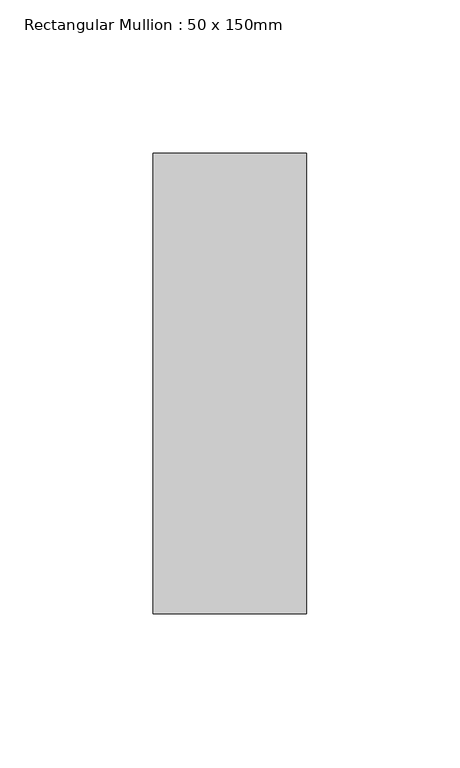
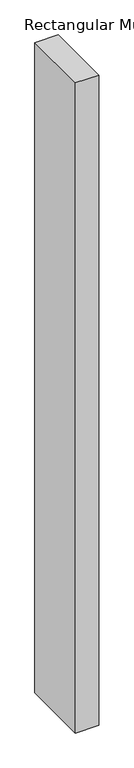
"""IFC4 building model written with IfcOpenShell, lengths in millimetres: member geometry, Rectangular Mullion : 50 x 150mm."""

import ifcopenshell
import ifcopenshell.guid

model = None  # the IFC model being written
_history = None  # IfcOwnerHistory: only IFC2X3 demands one
_inside = {}  # id of a spatial element -> (the spatial element, [elements in it])
_under = {}  # id of a project, library or spatial element -> (it, [spatial elements below it])
_declared = {}  # id of a project -> (the project, [libraries it declares])
_typed = {}  # id of a type object -> (the type object, [elements of that type])
_made_of = {}  # id of a material, layer set ... -> (it, [elements and type objects made of it])


def new_model(schema):
    """Start an empty IFC model of exactly this schema.

    Asked for "IFC4X3", IfcOpenShell would pick the latest addendum, in which some entities
    have other attributes; the version numbers below select the first issue.
    IFC2X3 requires an IfcOwnerHistory on every rooted entity: one is made here for all.
    """
    global model, _history
    if schema == "IFC4X3":
        model = ifcopenshell.file(schema_version=(4, 3, 0, 0))
    else:
        model = ifcopenshell.file(schema=schema)
    _inside.clear()
    _under.clear()
    _declared.clear()
    _typed.clear()
    _made_of.clear()
    _history = None
    if model.schema == "IFC2X3":
        org = make("IfcOrganization", Name="unknown")
        user = make(
            "IfcPersonAndOrganization",
            ThePerson=make("IfcPerson", FamilyName="unknown"),
            TheOrganization=org,
        )
        app = make(
            "IfcApplication",
            ApplicationDeveloper=org,
            Version="unknown",
            ApplicationFullName="unknown",
            ApplicationIdentifier="unknown",
        )
        _history = make(
            "IfcOwnerHistory",
            OwningUser=user,
            OwningApplication=app,
            ChangeAction="ADDED",
            CreationDate=0,
        )
    return model


def make(cls, **values):
    """One entity of the class cls with the attributes given. An attribute that is None is left unset."""
    return model.create_entity(
        cls, **{name: value for name, value in values.items() if value is not None}
    )


def rooted(cls, **values):
    """An entity with a GlobalId (a new one), such as an element, a storey or a relation."""
    return make(cls, GlobalId=ifcopenshell.guid.new(), OwnerHistory=_history, **values)


def si_unit(unit_type, name, prefix=None):
    """IfcSIUnit, for example si_unit("LENGTHUNIT", "METRE", prefix="MILLI")."""
    return make("IfcSIUnit", UnitType=unit_type, Prefix=prefix, Name=name)


def assignment(units):
    """IfcUnitAssignment: the units of a project."""
    return None if units is None else make("IfcUnitAssignment", Units=units)


def point(xyz):
    """IfcCartesianPoint."""
    return None if xyz is None else make("IfcCartesianPoint", Coordinates=xyz)


def direction(xyz):
    """IfcDirection."""
    return None if xyz is None else make("IfcDirection", DirectionRatios=xyz)


def frame(location, z_axis=None, x_axis=None):
    """IfcAxis2Placement3D, a coordinate frame: its origin and axes. An axis left out is left unset."""
    return make(
        "IfcAxis2Placement3D",
        Location=point(location),
        Axis=direction(z_axis),
        RefDirection=direction(x_axis),
    )


def origin():
    """The frame at (0, 0, 0) with its axes left unset."""
    return frame((0.0, 0.0, 0.0))


def place(relative_to, where):
    """IfcLocalPlacement: puts the frame where relative to a parent placement (None: the world)."""
    return make(
        "IfcLocalPlacement", PlacementRelTo=relative_to, RelativePlacement=where
    )


def context(
    kind, dimensions, precision=None, world=None, true_north=None, identifier=None
):
    """IfcGeometricRepresentationContext, for example the 3D "Model" context."""
    return make(
        "IfcGeometricRepresentationContext",
        ContextIdentifier=identifier,
        ContextType=kind,
        CoordinateSpaceDimension=dimensions,
        Precision=precision,
        WorldCoordinateSystem=world,
        TrueNorth=true_north,
    )


def project(units=None, contexts=None):
    """IfcProject with its units and contexts."""
    return rooted(
        "IfcProject",
        Name="project",
        RepresentationContexts=contexts,
        UnitsInContext=assignment(units),
    )


def spatial(cls, under=None, at=None, **own):
    """A site, building, storey or space (cls), placed at a placement, below another one or the project."""
    s = rooted(cls, ObjectPlacement=at, **own)
    if under is not None:
        _under.setdefault(under.id(), (under, []))[1].append(s)
    return s


def polyline(points):
    """IfcPolyline through the points."""
    return make("IfcPolyline", Points=[point(p) for p in points])


def outline(outer, holes=None, kind="AREA"):
    """IfcArbitraryClosedProfileDef: a profile drawn as a closed curve; with holes, ...WithVoids."""
    if holes is None:
        return make("IfcArbitraryClosedProfileDef", ProfileType=kind, OuterCurve=outer)
    return make(
        "IfcArbitraryProfileDefWithVoids",
        ProfileType=kind,
        OuterCurve=outer,
        InnerCurves=holes,
    )


def extrude(swept, where, along, depth):
    """IfcExtrudedAreaSolid: the profile swept, set in the frame where, extruded along a direction by depth."""
    return make(
        "IfcExtrudedAreaSolid",
        SweptArea=swept,
        Position=where,
        ExtrudedDirection=direction(along),
        Depth=depth,
    )


def shape(context_of_items, identifier, shape_type, items):
    """IfcShapeRepresentation: the items that make up one representation, for example the "Body"."""
    return make(
        "IfcShapeRepresentation",
        ContextOfItems=context_of_items,
        RepresentationIdentifier=identifier,
        RepresentationType=shape_type,
        Items=items,
    )


def source(mapping_origin, context_of_items, identifier, shape_type, items):
    """IfcRepresentationMap: a shape defined once, which mapped items show again and again."""
    return make(
        "IfcRepresentationMap",
        MappingOrigin=mapping_origin,
        MappedRepresentation=shape(context_of_items, identifier, shape_type, items),
    )


def transform(
    local_origin,
    x_axis=None,
    y_axis=None,
    z_axis=None,
    scale=None,
    scale2=None,
    scale3=None,
    uniform=True,
):
    """IfcCartesianTransformationOperator3D, or its non-uniform kind. x_axis, y_axis, z_axis: its Axis1, 2, 3."""
    if uniform:
        return make(
            "IfcCartesianTransformationOperator3D",
            Axis1=direction(x_axis),
            Axis2=direction(y_axis),
            LocalOrigin=point(local_origin),
            Scale=scale,
            Axis3=direction(z_axis),
        )
    return make(
        "IfcCartesianTransformationOperator3DnonUniform",
        Axis1=direction(x_axis),
        Axis2=direction(y_axis),
        LocalOrigin=point(local_origin),
        Scale=scale,
        Axis3=direction(z_axis),
        Scale2=scale2,
        Scale3=scale3,
    )


def mapped(mapping_source, mapping_target):
    """IfcMappedItem: shows the shape of a source again, moved by a transform."""
    return make(
        "IfcMappedItem", MappingSource=mapping_source, MappingTarget=mapping_target
    )


def made_of(thing, what):
    """Note that an element or type object is made of a material, layer set ...; save() writes the relation."""
    if what is not None:
        _made_of.setdefault(what.id(), (what, []))[1].append(thing)
    return thing


def element(
    cls,
    number,
    at=None,
    inside=None,
    cuts=None,
    type_object=None,
    material=None,
    context=None,
    identifier="Body",
    shape_type=None,
    held_by="IfcProductDefinitionShape",
    body=None,
    shapes=None,
    **own,
):
    """One element of the class cls, such as IfcWall. Its Tag is "e" and its number.

    at: its placement. inside: the storey or other place that contains it. cuts: it is an
    opening in that element (IfcRelVoidsElement). A single representation is given by context,
    identifier, shape_type and body (its items); several are given by shapes. held_by: the class
    of the entity that holds the representations. save() writes the other relations.
    """
    e = rooted(cls, Tag="e%d" % number, ObjectPlacement=at, **own)
    if body is not None:
        shapes = [shape(context, identifier, shape_type, body)]
    if shapes is not None:
        e.Representation = make(held_by, Representations=shapes)
    if inside is not None:
        _inside.setdefault(inside.id(), (inside, []))[1].append(e)
    if cuts is not None:
        rooted(
            "IfcRelVoidsElement", RelatingBuildingElement=cuts, RelatedOpeningElement=e
        )
    if type_object is not None:
        _typed.setdefault(type_object.id(), (type_object, []))[1].append(e)
    return made_of(e, material)


def aggregate(whole, parts):
    """IfcRelAggregates: a whole, such as a stair, and the parts it consists of."""
    return rooted("IfcRelAggregates", RelatingObject=whole, RelatedObjects=parts)


def save(model, path):
    """Write the relations noted so far, then the file.

    IfcRelAggregates (storeys below a building ...), IfcRelContainedInSpatialStructure (elements
    in a storey), IfcRelDefinesByType, IfcRelAssociatesMaterial and IfcRelDeclares: one each for
    every whole, place, type object, material and project.
    """
    for whole, parts in _under.values():
        aggregate(whole, parts)
    for where, things in _inside.values():
        rooted(
            "IfcRelContainedInSpatialStructure",
            RelatedElements=things,
            RelatingStructure=where,
        )
    for kind, things in _typed.values():
        rooted("IfcRelDefinesByType", RelatedObjects=things, RelatingType=kind)
    for what, things in _made_of.values():
        rooted("IfcRelAssociatesMaterial", RelatedObjects=things, RelatingMaterial=what)
    for by, libraries in _declared.values():
        rooted("IfcRelDeclares", RelatingContext=by, RelatedDefinitions=libraries)
    model.write(path)


def rectangular_mullion_50_x_150mm_3f740ab2(model_context):
    return source(origin(), model_context, "Body", "SweptSolid", [
        extrude(outline(polyline([(0.0, 75.0), (0.0, -75.0), (-50.0, -75.0), (-50.0, 75.0), (0.0, 75.0)])), frame((0.0, 0.0, -1469.9999998), z_axis=(0.0, 0.0, 1.0), x_axis=(1.0, 0.0, 0.0)), (0.0, 0.0, 1.0), 1469.9999998),
    ])


if __name__ == "__main__":
    model = new_model("IFC4")
    model_context = context("Model", 3, world=origin())
    ifc_project = project(units=[si_unit("LENGTHUNIT", "METRE", prefix="MILLI")], contexts=[model_context])
    site = spatial("IfcSite", under=ifc_project)
    building = spatial("IfcBuilding", under=site)
    placement = place(None, origin())
    rectangular_mullion_50_x_150mm_shape = rectangular_mullion_50_x_150mm_3f740ab2(model_context)
    element("IfcMember", 1, ObjectType="Rectangular Mullion : 50 x 150mm", at=placement, inside=building, context=model_context, shape_type="MappedRepresentation", body=[
        mapped(rectangular_mullion_50_x_150mm_shape, transform((0.0, 0.0, 0.0), x_axis=(1.0, 0.0, 0.0), y_axis=(0.0, 1.0, 0.0), z_axis=(0.0, 0.0, 1.0))),
    ])
    save(model, "model.ifc")
